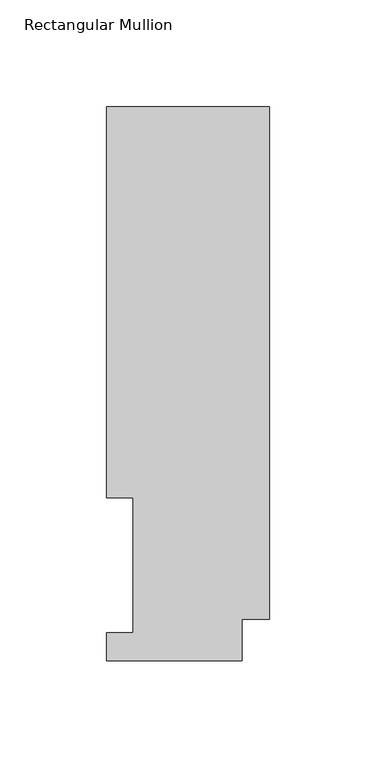
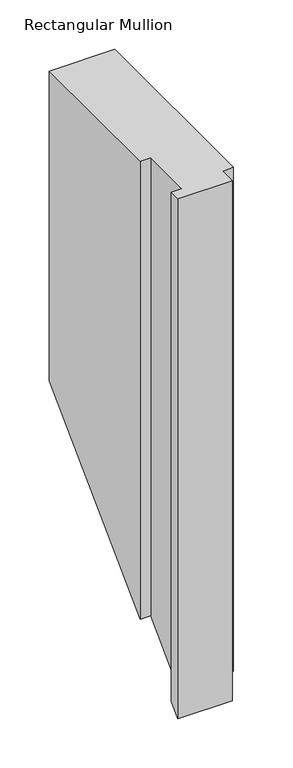
"""IFC4 building model written with IfcOpenShell, lengths in millimetres: member geometry, Rectangular Mullion."""

from ifc_helpers import new_model, si_unit, origin, place, context, project, spatial, faceted_brep, source, transform, mapped, element, save


def rectangular_mullion_f80e2f15(model_context):
    return source(origin(), model_context, "Body", "Brep", [
        faceted_brep([(0.0, 19.5088257, 0.0), (0.0, 259.4586188, 0.0), (-76.2, 259.4586188, 0.0), (-76.2, 76.2992187, 0.0), (-63.8581605, 76.2992187, 0.0), (-63.8581605, 13.1492189, 0.0), (-76.2, 13.1492189, 0.0), (-76.2, -0.0333811, 0.0), (-12.7, -0.0333811, 0.0), (-12.7, 19.5088257, 0.0), (0.0, 19.5088257, -621.8411743), (0.0, 259.4586188, -381.8913812), (-76.2, 259.4586188, -381.8913812), (-76.2, 76.2992187, -565.0507812), (-63.8581605, 76.2992187, -565.0507812), (-63.8581605, 13.1492189, -628.2007811), (-76.2, 13.1492189, -628.2007811), (-76.2, -0.0333811, -641.3833811), (-12.7, -0.0333811, -641.3833811), (-12.7, 19.5088257, -621.8411743)], [[[0, 1, 2, 3, 4, 5, 6, 7, 8, 9]], [[1, 0, 10, 11]], [[2, 1, 11, 12]], [[3, 2, 12, 13]], [[4, 3, 13, 14]], [[5, 4, 14, 15]], [[6, 5, 15, 16]], [[7, 6, 16, 17]], [[8, 7, 17, 18]], [[9, 8, 18, 19]], [[0, 9, 19, 10]], [[10, 19, 18, 17, 16, 15, 14, 13, 12, 11]]]),
    ])


if __name__ == "__main__":
    model = new_model("IFC4")
    model_context = context("Model", 3, world=origin())
    ifc_project = project(units=[si_unit("LENGTHUNIT", "METRE", prefix="MILLI")], contexts=[model_context])
    site = spatial("IfcSite", under=ifc_project)
    building = spatial("IfcBuilding", under=site)
    placement = place(None, origin())
    rectangular_mullion_shape = rectangular_mullion_f80e2f15(model_context)
    element("IfcMember", 1, ObjectType="Rectangular Mullion", at=placement, inside=building, context=model_context, shape_type="MappedRepresentation", body=[
        mapped(rectangular_mullion_shape, transform((0.0, 0.0, 0.0), x_axis=(1.0, 0.0, 0.0), y_axis=(0.0, 1.0, 0.0), z_axis=(0.0, 0.0, 1.0))),
    ])
    save(model, "model.ifc")
